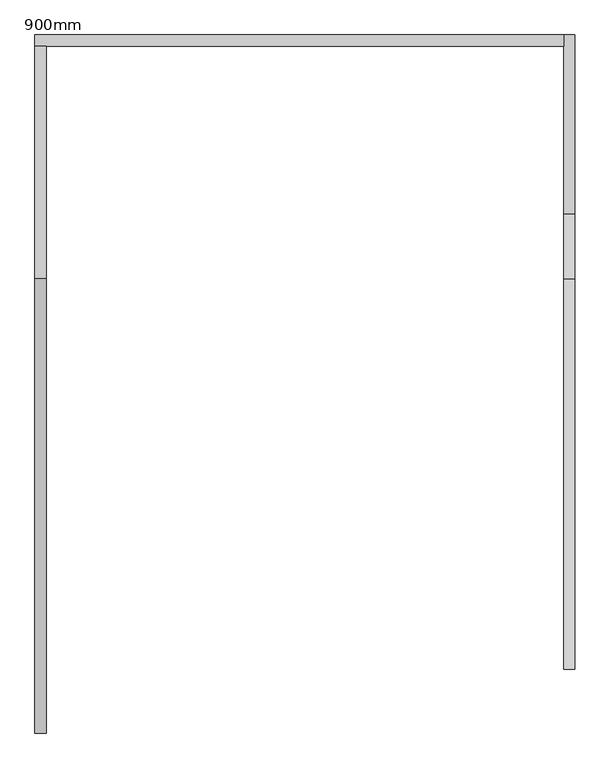
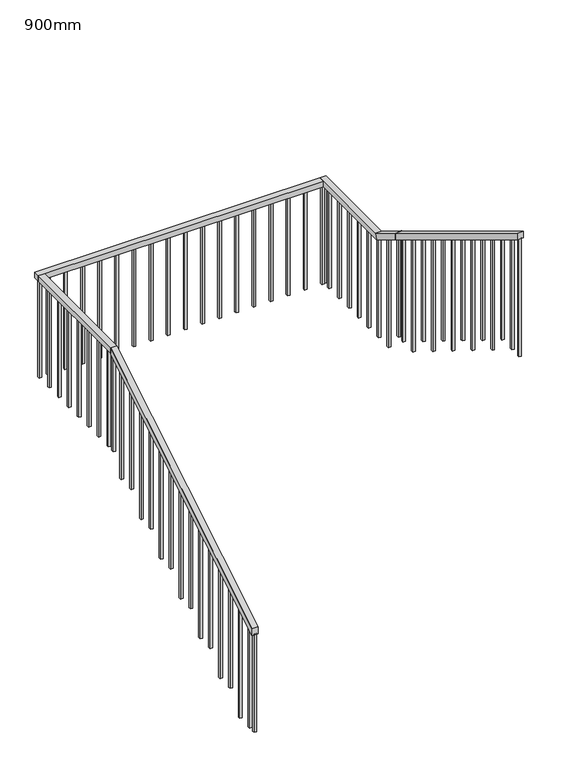
"""IFC4 building model written with IfcOpenShell, lengths in millimetres: railing geometry, 900mm."""

import ifcopenshell
import ifcopenshell.guid

model = None  # the IFC model being written
_history = None  # IfcOwnerHistory: only IFC2X3 demands one
_inside = {}  # id of a spatial element -> (the spatial element, [elements in it])
_under = {}  # id of a project, library or spatial element -> (it, [spatial elements below it])
_declared = {}  # id of a project -> (the project, [libraries it declares])
_typed = {}  # id of a type object -> (the type object, [elements of that type])
_made_of = {}  # id of a material, layer set ... -> (it, [elements and type objects made of it])


def new_model(schema):
    """Start an empty IFC model of exactly this schema.

    Asked for "IFC4X3", IfcOpenShell would pick the latest addendum, in which some entities
    have other attributes; the version numbers below select the first issue.
    IFC2X3 requires an IfcOwnerHistory on every rooted entity: one is made here for all.
    """
    global model, _history
    if schema == "IFC4X3":
        model = ifcopenshell.file(schema_version=(4, 3, 0, 0))
    else:
        model = ifcopenshell.file(schema=schema)
    _inside.clear()
    _under.clear()
    _declared.clear()
    _typed.clear()
    _made_of.clear()
    _history = None
    if model.schema == "IFC2X3":
        org = make("IfcOrganization", Name="unknown")
        user = make(
            "IfcPersonAndOrganization",
            ThePerson=make("IfcPerson", FamilyName="unknown"),
            TheOrganization=org,
        )
        app = make(
            "IfcApplication",
            ApplicationDeveloper=org,
            Version="unknown",
            ApplicationFullName="unknown",
            ApplicationIdentifier="unknown",
        )
        _history = make(
            "IfcOwnerHistory",
            OwningUser=user,
            OwningApplication=app,
            ChangeAction="ADDED",
            CreationDate=0,
        )
    return model


def make(cls, **values):
    """One entity of the class cls with the attributes given. An attribute that is None is left unset."""
    return model.create_entity(
        cls, **{name: value for name, value in values.items() if value is not None}
    )


def rooted(cls, **values):
    """An entity with a GlobalId (a new one), such as an element, a storey or a relation."""
    return make(cls, GlobalId=ifcopenshell.guid.new(), OwnerHistory=_history, **values)


def si_unit(unit_type, name, prefix=None):
    """IfcSIUnit, for example si_unit("LENGTHUNIT", "METRE", prefix="MILLI")."""
    return make("IfcSIUnit", UnitType=unit_type, Prefix=prefix, Name=name)


def assignment(units):
    """IfcUnitAssignment: the units of a project."""
    return None if units is None else make("IfcUnitAssignment", Units=units)


def point(xyz):
    """IfcCartesianPoint."""
    return None if xyz is None else make("IfcCartesianPoint", Coordinates=xyz)


def direction(xyz):
    """IfcDirection."""
    return None if xyz is None else make("IfcDirection", DirectionRatios=xyz)


def frame(location, z_axis=None, x_axis=None):
    """IfcAxis2Placement3D, a coordinate frame: its origin and axes. An axis left out is left unset."""
    return make(
        "IfcAxis2Placement3D",
        Location=point(location),
        Axis=direction(z_axis),
        RefDirection=direction(x_axis),
    )


def origin():
    """The frame at (0, 0, 0) with its axes left unset."""
    return frame((0.0, 0.0, 0.0))


def place(relative_to, where):
    """IfcLocalPlacement: puts the frame where relative to a parent placement (None: the world)."""
    return make(
        "IfcLocalPlacement", PlacementRelTo=relative_to, RelativePlacement=where
    )


def context(
    kind, dimensions, precision=None, world=None, true_north=None, identifier=None
):
    """IfcGeometricRepresentationContext, for example the 3D "Model" context."""
    return make(
        "IfcGeometricRepresentationContext",
        ContextIdentifier=identifier,
        ContextType=kind,
        CoordinateSpaceDimension=dimensions,
        Precision=precision,
        WorldCoordinateSystem=world,
        TrueNorth=true_north,
    )


def project(units=None, contexts=None):
    """IfcProject with its units and contexts."""
    return rooted(
        "IfcProject",
        Name="project",
        RepresentationContexts=contexts,
        UnitsInContext=assignment(units),
    )


def spatial(cls, under=None, at=None, **own):
    """A site, building, storey or space (cls), placed at a placement, below another one or the project."""
    s = rooted(cls, ObjectPlacement=at, **own)
    if under is not None:
        _under.setdefault(under.id(), (under, []))[1].append(s)
    return s


def polyline(points):
    """IfcPolyline through the points."""
    return make("IfcPolyline", Points=[point(p) for p in points])


def outline(outer, holes=None, kind="AREA"):
    """IfcArbitraryClosedProfileDef: a profile drawn as a closed curve; with holes, ...WithVoids."""
    if holes is None:
        return make("IfcArbitraryClosedProfileDef", ProfileType=kind, OuterCurve=outer)
    return make(
        "IfcArbitraryProfileDefWithVoids",
        ProfileType=kind,
        OuterCurve=outer,
        InnerCurves=holes,
    )


def extrude(swept, where, along, depth):
    """IfcExtrudedAreaSolid: the profile swept, set in the frame where, extruded along a direction by depth."""
    return make(
        "IfcExtrudedAreaSolid",
        SweptArea=swept,
        Position=where,
        ExtrudedDirection=direction(along),
        Depth=depth,
    )


def faces_of(points, faces, orient=None, outer=None):
    """IfcFace entities. A face is a list of loops; a loop is a list of indices into points, from 0.

    orient and outer hold one flag for each loop. By default every Orientation is true, the
    first loop of a face is its IfcFaceOuterBound and the others are IfcFaceBound.
    """
    made = []
    for i, loops in enumerate(faces):
        bounds = []
        for j, loop in enumerate(loops):
            is_outer = j == 0 if outer is None else outer[i][j]
            bounds.append(
                make(
                    "IfcFaceOuterBound" if is_outer else "IfcFaceBound",
                    Bound=make("IfcPolyLoop", Polygon=[points[k] for k in loop]),
                    Orientation=True if orient is None else orient[i][j],
                )
            )
        made.append(make("IfcFace", Bounds=bounds))
    return made


def faceted_brep(points, faces, orient=None, outer=None, voids=None):
    """IfcFacetedBrep: a solid bounded by flat faces; with voids (closed shells), ...WithVoids."""
    shared = [point(p) for p in points]
    hull = make("IfcClosedShell", CfsFaces=faces_of(shared, faces, orient, outer))
    if voids is None:
        return make("IfcFacetedBrep", Outer=hull)
    return make(
        "IfcFacetedBrepWithVoids",
        Outer=hull,
        Voids=[
            make(cls, CfsFaces=faces_of(shared, fs, o, b)) for cls, fs, o, b in voids
        ],
    )


def shape(context_of_items, identifier, shape_type, items):
    """IfcShapeRepresentation: the items that make up one representation, for example the "Body"."""
    return make(
        "IfcShapeRepresentation",
        ContextOfItems=context_of_items,
        RepresentationIdentifier=identifier,
        RepresentationType=shape_type,
        Items=items,
    )


def source(mapping_origin, context_of_items, identifier, shape_type, items):
    """IfcRepresentationMap: a shape defined once, which mapped items show again and again."""
    return make(
        "IfcRepresentationMap",
        MappingOrigin=mapping_origin,
        MappedRepresentation=shape(context_of_items, identifier, shape_type, items),
    )


def transform(
    local_origin,
    x_axis=None,
    y_axis=None,
    z_axis=None,
    scale=None,
    scale2=None,
    scale3=None,
    uniform=True,
):
    """IfcCartesianTransformationOperator3D, or its non-uniform kind. x_axis, y_axis, z_axis: its Axis1, 2, 3."""
    if uniform:
        return make(
            "IfcCartesianTransformationOperator3D",
            Axis1=direction(x_axis),
            Axis2=direction(y_axis),
            LocalOrigin=point(local_origin),
            Scale=scale,
            Axis3=direction(z_axis),
        )
    return make(
        "IfcCartesianTransformationOperator3DnonUniform",
        Axis1=direction(x_axis),
        Axis2=direction(y_axis),
        LocalOrigin=point(local_origin),
        Scale=scale,
        Axis3=direction(z_axis),
        Scale2=scale2,
        Scale3=scale3,
    )


def mapped(mapping_source, mapping_target):
    """IfcMappedItem: shows the shape of a source again, moved by a transform."""
    return make(
        "IfcMappedItem", MappingSource=mapping_source, MappingTarget=mapping_target
    )


def made_of(thing, what):
    """Note that an element or type object is made of a material, layer set ...; save() writes the relation."""
    if what is not None:
        _made_of.setdefault(what.id(), (what, []))[1].append(thing)
    return thing


def element(
    cls,
    number,
    at=None,
    inside=None,
    cuts=None,
    type_object=None,
    material=None,
    context=None,
    identifier="Body",
    shape_type=None,
    held_by="IfcProductDefinitionShape",
    body=None,
    shapes=None,
    **own,
):
    """One element of the class cls, such as IfcWall. Its Tag is "e" and its number.

    at: its placement. inside: the storey or other place that contains it. cuts: it is an
    opening in that element (IfcRelVoidsElement). A single representation is given by context,
    identifier, shape_type and body (its items); several are given by shapes. held_by: the class
    of the entity that holds the representations. save() writes the other relations.
    """
    e = rooted(cls, Tag="e%d" % number, ObjectPlacement=at, **own)
    if body is not None:
        shapes = [shape(context, identifier, shape_type, body)]
    if shapes is not None:
        e.Representation = make(held_by, Representations=shapes)
    if inside is not None:
        _inside.setdefault(inside.id(), (inside, []))[1].append(e)
    if cuts is not None:
        rooted(
            "IfcRelVoidsElement", RelatingBuildingElement=cuts, RelatedOpeningElement=e
        )
    if type_object is not None:
        _typed.setdefault(type_object.id(), (type_object, []))[1].append(e)
    return made_of(e, material)


def aggregate(whole, parts):
    """IfcRelAggregates: a whole, such as a stair, and the parts it consists of."""
    return rooted("IfcRelAggregates", RelatingObject=whole, RelatedObjects=parts)


def save(model, path):
    """Write the relations noted so far, then the file.

    IfcRelAggregates (storeys below a building ...), IfcRelContainedInSpatialStructure (elements
    in a storey), IfcRelDefinesByType, IfcRelAssociatesMaterial and IfcRelDeclares: one each for
    every whole, place, type object, material and project.
    """
    for whole, parts in _under.values():
        aggregate(whole, parts)
    for where, things in _inside.values():
        rooted(
            "IfcRelContainedInSpatialStructure",
            RelatedElements=things,
            RelatingStructure=where,
        )
    for kind, things in _typed.values():
        rooted("IfcRelDefinesByType", RelatedObjects=things, RelatingType=kind)
    for what, things in _made_of.values():
        rooted("IfcRelAssociatesMaterial", RelatedObjects=things, RelatingMaterial=what)
    for by, libraries in _declared.values():
        rooted("IfcRelDeclares", RelatingContext=by, RelatedDefinitions=libraries)
    model.write(path)


def railing_900mm_f3da900f(model_context):
    return source(origin(), model_context, "Body", "SolidModel", [
        faceted_brep([(-18160.940233, -160.9230875, 1073.6), (-18160.940233, -160.9230875, 1015.1018306), (-18110.940233, -160.9230875, 1015.1018306), (-18110.940233, -160.9230875, 1073.6), (-18160.940233, 1840.0620675, 2288.8), (-18110.940233, 1840.0620675, 2288.8), (-18110.940233, 1840.0620675, 2230.3018306), (-18160.940233, 1840.0620675, 2230.3018306)], [[[0, 1, 2, 3]], [[4, 5, 6, 7]], [[1, 0, 4, 7]], [[2, 1, 7, 6]], [[3, 2, 6, 5]], [[0, 3, 5, 4]]]),
        faceted_brep([(-18160.940233, 1840.0620675, 2288.8), (-18160.940233, 1840.0620675, 2238.8), (-18110.940233, 1840.0620675, 2238.8), (-18110.940233, 1840.0620675, 2288.8), (-18160.940233, 2863.8620675, 2288.8), (-18110.940233, 2863.8620675, 2288.8), (-18110.940233, 2863.8620675, 2238.8), (-18160.940233, 2863.8620675, 2238.8)], [[[0, 1, 2, 3]], [[4, 5, 6, 7]], [[1, 0, 4, 7]], [[2, 1, 7, 6]], [[3, 2, 6, 5]], [[0, 3, 5, 4]]]),
        faceted_brep([(-18160.940233, 2913.8620675, 2288.8), (-18160.940233, 2913.8620675, 2238.8), (-18160.940233, 2863.8620675, 2238.8), (-18160.940233, 2863.8620675, 2288.8), (-15832.540233, 2913.8620675, 2288.8), (-15832.540233, 2863.8620675, 2288.8), (-15832.540233, 2863.8620675, 2238.8), (-15832.540233, 2913.8620675, 2238.8)], [[[0, 1, 2, 3]], [[4, 5, 6, 7]], [[1, 0, 4, 7]], [[2, 1, 7, 6]], [[3, 2, 6, 5]], [[0, 3, 5, 4]]]),
        faceted_brep([(-15782.540233, 2913.8620675, 2288.8), (-15782.540233, 2913.8620675, 2238.8), (-15832.540233, 2913.8620675, 2238.8), (-15832.540233, 2913.8620675, 2288.8), (-15782.540233, 2125.9170896, 2288.8), (-15782.540233, 2111.9237462, 2238.8), (-15832.540233, 2111.9237462, 2238.8), (-15832.540233, 2125.9170896, 2288.8), (-15782.540233, 1840.0620675, 2462.4), (-15832.540233, 1840.0620675, 2462.4), (-15832.540233, 1840.0620675, 2403.9018306), (-15782.540233, 1840.0620675, 2403.9018306)], [[[0, 1, 2, 3]], [[1, 0, 4, 5]], [[2, 1, 5, 6]], [[3, 2, 6, 7]], [[0, 3, 7, 4]], [[8, 9, 10, 11]], [[5, 4, 8, 11]], [[6, 5, 11, 10]], [[7, 6, 10, 9]], [[4, 7, 9, 8]]]),
        faceted_brep([(-15782.540233, 1840.0620675, 2462.4), (-15782.540233, 1840.0620675, 2403.950901), (-15832.540233, 1840.0620675, 2403.950901), (-15832.540233, 1840.0620675, 2462.4), (-15782.540233, 119.56949, 3504.0), (-15832.540233, 119.56949, 3504.0), (-15832.540233, 119.56949, 3445.550901), (-15782.540233, 119.56949, 3445.550901)], [[[0, 1, 2, 3]], [[4, 5, 6, 7]], [[1, 0, 4, 7]], [[2, 1, 7, 6]], [[3, 2, 6, 5]], [[0, 3, 5, 4]]]),
        extrude(outline(polyline([(240.0620675, 2430.4), (220.0620675, 2430.4), (220.0620675, 3393.1609879), (240.0620675, 3381.0528276), (240.0620675, 2430.4)])), frame((-15817.540233, 0.0, 0.0), z_axis=(1.0, 0.0, 0.0), x_axis=(0.0, 1.0, 0.0)), (0.0, 0.0, 1.0), 20.0),
        extrude(outline(polyline([(380.0620675, 2430.4), (360.0620675, 2430.4), (360.0620675, 3308.4038655), (380.0620675, 3296.2957052), (380.0620675, 2430.4)])), frame((-15817.540233, 0.0, 0.0), z_axis=(1.0, 0.0, 0.0), x_axis=(0.0, 1.0, 0.0)), (0.0, 0.0, 1.0), 20.0),
        extrude(outline(polyline([(520.0620675, 2256.8), (500.0620675, 2256.8), (500.0620675, 3223.6467431), (520.0620675, 3211.5385827), (520.0620675, 2256.8)])), frame((-15817.540233, 0.0, 0.0), z_axis=(1.0, 0.0, 0.0), x_axis=(0.0, 1.0, 0.0)), (0.0, 0.0, 1.0), 20.0),
        extrude(outline(polyline([(660.0620675, 2256.8), (640.0620675, 2256.8), (640.0620675, 3138.8896207), (660.0620675, 3126.7814603), (660.0620675, 2256.8)])), frame((-15817.540233, 0.0, 0.0), z_axis=(1.0, 0.0, 0.0), x_axis=(0.0, 1.0, 0.0)), (0.0, 0.0, 1.0), 20.0),
        extrude(outline(polyline([(800.0620675, 2083.2), (780.0620675, 2083.2), (780.0620675, 3054.1324983), (800.0620675, 3042.0243379), (800.0620675, 2083.2)])), frame((-15817.540233, 0.0, 0.0), z_axis=(1.0, 0.0, 0.0), x_axis=(0.0, 1.0, 0.0)), (0.0, 0.0, 1.0), 20.0),
        extrude(outline(polyline([(940.0620675, 2083.2), (920.0620675, 2083.2), (920.0620675, 2969.3753759), (940.0620675, 2957.2672155), (940.0620675, 2083.2)])), frame((-15817.540233, 0.0, 0.0), z_axis=(1.0, 0.0, 0.0), x_axis=(0.0, 1.0, 0.0)), (0.0, 0.0, 1.0), 20.0),
        extrude(outline(polyline([(1080.0620675, 1909.6), (1060.0620675, 1909.6), (1060.0620675, 2884.6182534), (1080.0620675, 2872.5100931), (1080.0620675, 1909.6)])), frame((-15817.540233, 0.0, 0.0), z_axis=(1.0, 0.0, 0.0), x_axis=(0.0, 1.0, 0.0)), (0.0, 0.0, 1.0), 20.0),
        extrude(outline(polyline([(1220.0620675, 1909.6), (1200.0620675, 1909.6), (1200.0620675, 2799.861131), (1220.0620675, 2787.7529707), (1220.0620675, 1909.6)])), frame((-15817.540233, 0.0, 0.0), z_axis=(1.0, 0.0, 0.0), x_axis=(0.0, 1.0, 0.0)), (0.0, 0.0, 1.0), 20.0),
        extrude(outline(polyline([(1360.0620675, 1736.0), (1340.0620675, 1736.0), (1340.0620675, 2715.1040086), (1360.0620675, 2702.9958483), (1360.0620675, 1736.0)])), frame((-15817.540233, 0.0, 0.0), z_axis=(1.0, 0.0, 0.0), x_axis=(0.0, 1.0, 0.0)), (0.0, 0.0, 1.0), 20.0),
        extrude(outline(polyline([(1500.0620675, 1736.0), (1480.0620675, 1736.0), (1480.0620675, 2630.3468862), (1500.0620675, 2618.2387259), (1500.0620675, 1736.0)])), frame((-15817.540233, 0.0, 0.0), z_axis=(1.0, 0.0, 0.0), x_axis=(0.0, 1.0, 0.0)), (0.0, 0.0, 1.0), 20.0),
        extrude(outline(polyline([(1640.0620675, 1562.4), (1620.0620675, 1562.4), (1620.0620675, 2545.5897638), (1640.0620675, 2533.4816034), (1640.0620675, 1562.4)])), frame((-15817.540233, 0.0, 0.0), z_axis=(1.0, 0.0, 0.0), x_axis=(0.0, 1.0, 0.0)), (0.0, 0.0, 1.0), 20.0),
        extrude(outline(polyline([(1780.0620675, 1562.4), (1760.0620675, 1562.4), (1760.0620675, 2460.9840686), (1780.0620675, 2448.8380514), (1780.0620675, 1562.4)])), frame((-15817.540233, 0.0, 0.0), z_axis=(1.0, 0.0, 0.0), x_axis=(0.0, 1.0, 0.0)), (0.0, 0.0, 1.0), 20.0),
        extrude(outline(polyline([(1988.8620675, 1388.8), (1968.8620675, 1388.8), (1968.8620675, 2334.1796496), (1988.8620675, 2322.0336324), (1988.8620675, 1388.8)])), frame((-15817.540233, 0.0, 0.0), z_axis=(1.0, 0.0, 0.0), x_axis=(0.0, 1.0, 0.0)), (0.0, 0.0, 1.0), 20.0),
        extrude(outline(polyline([(2128.8620675, 1388.8), (2108.8620675, 1388.8), (2108.8620675, 2249.1575296), (2128.8620675, 2237.0115124), (2128.8620675, 1388.8)])), frame((-15817.540233, 0.0, 0.0), z_axis=(1.0, 0.0, 0.0), x_axis=(0.0, 1.0, 0.0)), (0.0, 0.0, 1.0), 20.0),
        extrude(outline(polyline([(-15797.540233, 2268.8620675), (-15797.540233, 2248.8620675), (-15817.540233, 2248.8620675), (-15817.540233, 2268.8620675), (-15797.540233, 2268.8620675)])), frame((0.0, 0.0, 1388.8), z_axis=(0.0, 0.0, 1.0), x_axis=(1.0, 0.0, 0.0)), (0.0, 0.0, 1.0), 850.0),
        extrude(outline(polyline([(-15797.540233, 2408.8620675), (-15797.540233, 2388.8620675), (-15817.540233, 2388.8620675), (-15817.540233, 2408.8620675), (-15797.540233, 2408.8620675)])), frame((0.0, 0.0, 1388.8), z_axis=(0.0, 0.0, 1.0), x_axis=(1.0, 0.0, 0.0)), (0.0, 0.0, 1.0), 850.0),
        extrude(outline(polyline([(-15797.540233, 2548.8620675), (-15797.540233, 2528.8620675), (-15817.540233, 2528.8620675), (-15817.540233, 2548.8620675), (-15797.540233, 2548.8620675)])), frame((0.0, 0.0, 1388.8), z_axis=(0.0, 0.0, 1.0), x_axis=(1.0, 0.0, 0.0)), (0.0, 0.0, 1.0), 850.0),
        extrude(outline(polyline([(-15797.540233, 2688.8620675), (-15797.540233, 2668.8620675), (-15817.540233, 2668.8620675), (-15817.540233, 2688.8620675), (-15797.540233, 2688.8620675)])), frame((0.0, 0.0, 1388.8), z_axis=(0.0, 0.0, 1.0), x_axis=(1.0, 0.0, 0.0)), (0.0, 0.0, 1.0), 850.0),
        extrude(outline(polyline([(-15797.540233, 2828.8620675), (-15797.540233, 2808.8620675), (-15817.540233, 2808.8620675), (-15817.540233, 2828.8620675), (-15797.540233, 2828.8620675)])), frame((0.0, 0.0, 1388.8), z_axis=(0.0, 0.0, 1.0), x_axis=(1.0, 0.0, 0.0)), (0.0, 0.0, 1.0), 850.0),
        extrude(outline(polyline([(-15835.940233, 2898.8620675), (-15815.940233, 2898.8620675), (-15815.940233, 2878.8620675), (-15835.940233, 2878.8620675), (-15835.940233, 2898.8620675)])), frame((0.0, 0.0, 1388.8), z_axis=(0.0, 0.0, 1.0), x_axis=(1.0, 0.0, 0.0)), (0.0, 0.0, 1.0), 850.0),
        extrude(outline(polyline([(-15975.940233, 2898.8620675), (-15955.940233, 2898.8620675), (-15955.940233, 2878.8620675), (-15975.940233, 2878.8620675), (-15975.940233, 2898.8620675)])), frame((0.0, 0.0, 1388.8), z_axis=(0.0, 0.0, 1.0), x_axis=(1.0, 0.0, 0.0)), (0.0, 0.0, 1.0), 850.0),
        extrude(outline(polyline([(-16115.940233, 2898.8620675), (-16095.940233, 2898.8620675), (-16095.940233, 2878.8620675), (-16115.940233, 2878.8620675), (-16115.940233, 2898.8620675)])), frame((0.0, 0.0, 1388.8), z_axis=(0.0, 0.0, 1.0), x_axis=(1.0, 0.0, 0.0)), (0.0, 0.0, 1.0), 850.0),
        extrude(outline(polyline([(-16255.940233, 2898.8620675), (-16235.940233, 2898.8620675), (-16235.940233, 2878.8620675), (-16255.940233, 2878.8620675), (-16255.940233, 2898.8620675)])), frame((0.0, 0.0, 1388.8), z_axis=(0.0, 0.0, 1.0), x_axis=(1.0, 0.0, 0.0)), (0.0, 0.0, 1.0), 850.0),
        extrude(outline(polyline([(-16395.940233, 2898.8620675), (-16375.940233, 2898.8620675), (-16375.940233, 2878.8620675), (-16395.940233, 2878.8620675), (-16395.940233, 2898.8620675)])), frame((0.0, 0.0, 1388.8), z_axis=(0.0, 0.0, 1.0), x_axis=(1.0, 0.0, 0.0)), (0.0, 0.0, 1.0), 850.0),
        extrude(outline(polyline([(-16535.940233, 2898.8620675), (-16515.940233, 2898.8620675), (-16515.940233, 2878.8620675), (-16535.940233, 2878.8620675), (-16535.940233, 2898.8620675)])), frame((0.0, 0.0, 1388.8), z_axis=(0.0, 0.0, 1.0), x_axis=(1.0, 0.0, 0.0)), (0.0, 0.0, 1.0), 850.0),
        extrude(outline(polyline([(-16675.940233, 2898.8620675), (-16655.940233, 2898.8620675), (-16655.940233, 2878.8620675), (-16675.940233, 2878.8620675), (-16675.940233, 2898.8620675)])), frame((0.0, 0.0, 1388.8), z_axis=(0.0, 0.0, 1.0), x_axis=(1.0, 0.0, 0.0)), (0.0, 0.0, 1.0), 850.0),
        extrude(outline(polyline([(-16815.940233, 2898.8620675), (-16795.940233, 2898.8620675), (-16795.940233, 2878.8620675), (-16815.940233, 2878.8620675), (-16815.940233, 2898.8620675)])), frame((0.0, 0.0, 1388.8), z_axis=(0.0, 0.0, 1.0), x_axis=(1.0, 0.0, 0.0)), (0.0, 0.0, 1.0), 850.0),
        extrude(outline(polyline([(-16955.940233, 2898.8620675), (-16935.940233, 2898.8620675), (-16935.940233, 2878.8620675), (-16955.940233, 2878.8620675), (-16955.940233, 2898.8620675)])), frame((0.0, 0.0, 1388.8), z_axis=(0.0, 0.0, 1.0), x_axis=(1.0, 0.0, 0.0)), (0.0, 0.0, 1.0), 850.0),
        extrude(outline(polyline([(-17095.940233, 2898.8620675), (-17075.940233, 2898.8620675), (-17075.940233, 2878.8620675), (-17095.940233, 2878.8620675), (-17095.940233, 2898.8620675)])), frame((0.0, 0.0, 1388.8), z_axis=(0.0, 0.0, 1.0), x_axis=(1.0, 0.0, 0.0)), (0.0, 0.0, 1.0), 850.0),
        extrude(outline(polyline([(-17235.940233, 2898.8620675), (-17215.940233, 2898.8620675), (-17215.940233, 2878.8620675), (-17235.940233, 2878.8620675), (-17235.940233, 2898.8620675)])), frame((0.0, 0.0, 1388.8), z_axis=(0.0, 0.0, 1.0), x_axis=(1.0, 0.0, 0.0)), (0.0, 0.0, 1.0), 850.0),
        extrude(outline(polyline([(-17375.940233, 2898.8620675), (-17355.940233, 2898.8620675), (-17355.940233, 2878.8620675), (-17375.940233, 2878.8620675), (-17375.940233, 2898.8620675)])), frame((0.0, 0.0, 1388.8), z_axis=(0.0, 0.0, 1.0), x_axis=(1.0, 0.0, 0.0)), (0.0, 0.0, 1.0), 850.0),
        extrude(outline(polyline([(-17515.940233, 2898.8620675), (-17495.940233, 2898.8620675), (-17495.940233, 2878.8620675), (-17515.940233, 2878.8620675), (-17515.940233, 2898.8620675)])), frame((0.0, 0.0, 1388.8), z_axis=(0.0, 0.0, 1.0), x_axis=(1.0, 0.0, 0.0)), (0.0, 0.0, 1.0), 850.0),
        extrude(outline(polyline([(-17655.940233, 2898.8620675), (-17635.940233, 2898.8620675), (-17635.940233, 2878.8620675), (-17655.940233, 2878.8620675), (-17655.940233, 2898.8620675)])), frame((0.0, 0.0, 1388.8), z_axis=(0.0, 0.0, 1.0), x_axis=(1.0, 0.0, 0.0)), (0.0, 0.0, 1.0), 850.0),
        extrude(outline(polyline([(-17795.940233, 2898.8620675), (-17775.940233, 2898.8620675), (-17775.940233, 2878.8620675), (-17795.940233, 2878.8620675), (-17795.940233, 2898.8620675)])), frame((0.0, 0.0, 1388.8), z_axis=(0.0, 0.0, 1.0), x_axis=(1.0, 0.0, 0.0)), (0.0, 0.0, 1.0), 850.0),
        extrude(outline(polyline([(-17935.940233, 2898.8620675), (-17915.940233, 2898.8620675), (-17915.940233, 2878.8620675), (-17935.940233, 2878.8620675), (-17935.940233, 2898.8620675)])), frame((0.0, 0.0, 1388.8), z_axis=(0.0, 0.0, 1.0), x_axis=(1.0, 0.0, 0.0)), (0.0, 0.0, 1.0), 850.0),
        extrude(outline(polyline([(-18075.940233, 2898.8620675), (-18055.940233, 2898.8620675), (-18055.940233, 2878.8620675), (-18075.940233, 2878.8620675), (-18075.940233, 2898.8620675)])), frame((0.0, 0.0, 1388.8), z_axis=(0.0, 0.0, 1.0), x_axis=(1.0, 0.0, 0.0)), (0.0, 0.0, 1.0), 850.0),
        extrude(outline(polyline([(-18145.940233, 2740.0620675), (-18145.940233, 2760.0620675), (-18125.940233, 2760.0620675), (-18125.940233, 2740.0620675), (-18145.940233, 2740.0620675)])), frame((0.0, 0.0, 1388.8), z_axis=(0.0, 0.0, 1.0), x_axis=(1.0, 0.0, 0.0)), (0.0, 0.0, 1.0), 850.0),
        extrude(outline(polyline([(-18145.940233, 2600.0620675), (-18145.940233, 2620.0620675), (-18125.940233, 2620.0620675), (-18125.940233, 2600.0620675), (-18145.940233, 2600.0620675)])), frame((0.0, 0.0, 1388.8), z_axis=(0.0, 0.0, 1.0), x_axis=(1.0, 0.0, 0.0)), (0.0, 0.0, 1.0), 850.0),
        extrude(outline(polyline([(-18145.940233, 2460.0620675), (-18145.940233, 2480.0620675), (-18125.940233, 2480.0620675), (-18125.940233, 2460.0620675), (-18145.940233, 2460.0620675)])), frame((0.0, 0.0, 1388.8), z_axis=(0.0, 0.0, 1.0), x_axis=(1.0, 0.0, 0.0)), (0.0, 0.0, 1.0), 850.0),
        extrude(outline(polyline([(-18145.940233, 2320.0620675), (-18145.940233, 2340.0620675), (-18125.940233, 2340.0620675), (-18125.940233, 2320.0620675), (-18145.940233, 2320.0620675)])), frame((0.0, 0.0, 1388.8), z_axis=(0.0, 0.0, 1.0), x_axis=(1.0, 0.0, 0.0)), (0.0, 0.0, 1.0), 850.0),
        extrude(outline(polyline([(-18145.940233, 2180.0620675), (-18145.940233, 2200.0620675), (-18125.940233, 2200.0620675), (-18125.940233, 2180.0620675), (-18145.940233, 2180.0620675)])), frame((0.0, 0.0, 1388.8), z_axis=(0.0, 0.0, 1.0), x_axis=(1.0, 0.0, 0.0)), (0.0, 0.0, 1.0), 850.0),
        extrude(outline(polyline([(-18145.940233, 2040.0620675), (-18145.940233, 2060.0620675), (-18125.940233, 2060.0620675), (-18125.940233, 2040.0620675), (-18145.940233, 2040.0620675)])), frame((0.0, 0.0, 1388.8), z_axis=(0.0, 0.0, 1.0), x_axis=(1.0, 0.0, 0.0)), (0.0, 0.0, 1.0), 850.0),
        extrude(outline(polyline([(-18145.940233, 1900.0620675), (-18145.940233, 1920.0620675), (-18125.940233, 1920.0620675), (-18125.940233, 1900.0620675), (-18145.940233, 1900.0620675)])), frame((0.0, 0.0, 1388.8), z_axis=(0.0, 0.0, 1.0), x_axis=(1.0, 0.0, 0.0)), (0.0, 0.0, 1.0), 850.0),
        extrude(outline(polyline([(1719.0769125, 2165.3256117), (1739.0769125, 2177.4716288), (1739.0769125, 1215.2), (1719.0769125, 1215.2), (1719.0769125, 2165.3256117)])), frame((-18145.940233, 0.0, 0.0), z_axis=(1.0, 0.0, 0.0), x_axis=(0.0, 1.0, 0.0)), (0.0, 0.0, 1.0), 20.0),
        extrude(outline(polyline([(1579.0769125, 2080.3034916), (1599.0769125, 2092.4495088), (1599.0769125, 1215.2), (1579.0769125, 1215.2), (1579.0769125, 2080.3034916)])), frame((-18145.940233, 0.0, 0.0), z_axis=(1.0, 0.0, 0.0), x_axis=(0.0, 1.0, 0.0)), (0.0, 0.0, 1.0), 20.0),
        extrude(outline(polyline([(1439.0769125, 1995.2813716), (1459.0769125, 2007.4273888), (1459.0769125, 1041.6), (1439.0769125, 1041.6), (1439.0769125, 1995.2813716)])), frame((-18145.940233, 0.0, 0.0), z_axis=(1.0, 0.0, 0.0), x_axis=(0.0, 1.0, 0.0)), (0.0, 0.0, 1.0), 20.0),
        extrude(outline(polyline([(1299.0769125, 1910.2592516), (1319.0769125, 1922.4052688), (1319.0769125, 1041.6), (1299.0769125, 1041.6), (1299.0769125, 1910.2592516)])), frame((-18145.940233, 0.0, 0.0), z_axis=(1.0, 0.0, 0.0), x_axis=(0.0, 1.0, 0.0)), (0.0, 0.0, 1.0), 20.0),
        extrude(outline(polyline([(1159.0769125, 1825.2371316), (1179.0769125, 1837.3831487), (1179.0769125, 868.0), (1159.0769125, 868.0), (1159.0769125, 1825.2371316)])), frame((-18145.940233, 0.0, 0.0), z_axis=(1.0, 0.0, 0.0), x_axis=(0.0, 1.0, 0.0)), (0.0, 0.0, 1.0), 20.0),
        extrude(outline(polyline([(1019.0769125, 1740.2150116), (1039.0769125, 1752.3610287), (1039.0769125, 868.0), (1019.0769125, 868.0), (1019.0769125, 1740.2150116)])), frame((-18145.940233, 0.0, 0.0), z_axis=(1.0, 0.0, 0.0), x_axis=(0.0, 1.0, 0.0)), (0.0, 0.0, 1.0), 20.0),
        extrude(outline(polyline([(879.0769125, 1655.1928916), (899.0769125, 1667.3389087), (899.0769125, 694.4), (879.0769125, 694.4), (879.0769125, 1655.1928916)])), frame((-18145.940233, 0.0, 0.0), z_axis=(1.0, 0.0, 0.0), x_axis=(0.0, 1.0, 0.0)), (0.0, 0.0, 1.0), 20.0),
        extrude(outline(polyline([(739.0769125, 1570.1707715), (759.0769125, 1582.3167887), (759.0769125, 694.4), (739.0769125, 694.4), (739.0769125, 1570.1707715)])), frame((-18145.940233, 0.0, 0.0), z_axis=(1.0, 0.0, 0.0), x_axis=(0.0, 1.0, 0.0)), (0.0, 0.0, 1.0), 20.0),
        extrude(outline(polyline([(599.0769125, 1485.1486515), (619.0769125, 1497.2946687), (619.0769125, 520.8), (599.0769125, 520.8), (599.0769125, 1485.1486515)])), frame((-18145.940233, 0.0, 0.0), z_axis=(1.0, 0.0, 0.0), x_axis=(0.0, 1.0, 0.0)), (0.0, 0.0, 1.0), 20.0),
        extrude(outline(polyline([(459.0769125, 1400.1265315), (479.0769125, 1412.2725486), (479.0769125, 520.8), (459.0769125, 520.8), (459.0769125, 1400.1265315)])), frame((-18145.940233, 0.0, 0.0), z_axis=(1.0, 0.0, 0.0), x_axis=(0.0, 1.0, 0.0)), (0.0, 0.0, 1.0), 20.0),
        extrude(outline(polyline([(319.0769125, 1315.1044115), (339.0769125, 1327.2504286), (339.0769125, 347.2), (319.0769125, 347.2), (319.0769125, 1315.1044115)])), frame((-18145.940233, 0.0, 0.0), z_axis=(1.0, 0.0, 0.0), x_axis=(0.0, 1.0, 0.0)), (0.0, 0.0, 1.0), 20.0),
        extrude(outline(polyline([(179.0769125, 1230.0822915), (199.0769125, 1242.2283086), (199.0769125, 347.2), (179.0769125, 347.2), (179.0769125, 1230.0822915)])), frame((-18145.940233, 0.0, 0.0), z_axis=(1.0, 0.0, 0.0), x_axis=(0.0, 1.0, 0.0)), (0.0, 0.0, 1.0), 20.0),
        extrude(outline(polyline([(39.0769125, 1145.0601715), (59.0769125, 1157.2061886), (59.0769125, 173.6), (39.0769125, 173.6), (39.0769125, 1145.0601715)])), frame((-18145.940233, 0.0, 0.0), z_axis=(1.0, 0.0, 0.0), x_axis=(0.0, 1.0, 0.0)), (0.0, 0.0, 1.0), 20.0),
        extrude(outline(polyline([(-100.9230875, 1060.0380514), (-80.9230875, 1072.1840686), (-80.9230875, 173.6), (-100.9230875, 173.6), (-100.9230875, 1060.0380514)])), frame((-18145.940233, 0.0, 0.0), z_axis=(1.0, 0.0, 0.0), x_axis=(0.0, 1.0, 0.0)), (0.0, 0.0, 1.0), 20.0),
        extrude(outline(polyline([(1850.0620675, 1562.4), (1830.0620675, 1562.4), (1830.0620675, 2418.4730086), (1850.0620675, 2406.3269914), (1850.0620675, 1562.4)])), frame((-15817.540233, 0.0, 0.0), z_axis=(1.0, 0.0, 0.0), x_axis=(0.0, 1.0, 0.0)), (0.0, 0.0, 1.0), 20.0),
        extrude(outline(polyline([(-15817.540233, 2898.8620675), (-15797.540233, 2898.8620675), (-15797.540233, 2878.8620675), (-15817.540233, 2878.8620675), (-15817.540233, 2898.8620675)])), frame((0.0, 0.0, 1388.8), z_axis=(0.0, 0.0, 1.0), x_axis=(1.0, 0.0, 0.0)), (0.0, 0.0, 1.0), 850.0),
        extrude(outline(polyline([(-18145.940233, 2878.8620675), (-18145.940233, 2898.8620675), (-18125.940233, 2898.8620675), (-18125.940233, 2878.8620675), (-18145.940233, 2878.8620675)])), frame((0.0, 0.0, 1388.8), z_axis=(0.0, 0.0, 1.0), x_axis=(1.0, 0.0, 0.0)), (0.0, 0.0, 1.0), 850.0),
        extrude(outline(polyline([(1830.0620675, 2232.7269914), (1850.0620675, 2244.8730086), (1850.0620675, 1388.8), (1830.0620675, 1388.8), (1830.0620675, 2232.7269914)])), frame((-18145.940233, 0.0, 0.0), z_axis=(1.0, 0.0, 0.0), x_axis=(0.0, 1.0, 0.0)), (0.0, 0.0, 1.0), 20.0),
        extrude(outline(polyline([(139.56949, 2430.4), (119.56949, 2430.4), (119.56949, 3454.0), (139.56949, 3441.8918397), (139.56949, 2430.4)])), frame((-15817.540233, 0.0, 0.0), z_axis=(1.0, 0.0, 0.0), x_axis=(0.0, 1.0, 0.0)), (0.0, 0.0, 1.0), 20.0),
        extrude(outline(polyline([(-160.9230875, 1023.6), (-140.9230875, 1035.7460171), (-140.9230875, 173.6), (-160.9230875, 173.6), (-160.9230875, 1023.6)])), frame((-18145.940233, 0.0, 0.0), z_axis=(1.0, 0.0, 0.0), x_axis=(0.0, 1.0, 0.0)), (0.0, 0.0, 1.0), 20.0),
    ])


if __name__ == "__main__":
    model = new_model("IFC4")
    model_context = context("Model", 3, world=origin())
    ifc_project = project(units=[si_unit("LENGTHUNIT", "METRE", prefix="MILLI")], contexts=[model_context])
    site = spatial("IfcSite", under=ifc_project)
    building = spatial("IfcBuilding", under=site)
    placement = place(None, origin())
    railing_900mm_shape = railing_900mm_f3da900f(model_context)
    element("IfcRailing", 1, ObjectType="900mm", at=placement, inside=building, context=model_context, shape_type="MappedRepresentation", body=[
        mapped(railing_900mm_shape, transform((0.0, 0.0, 0.0), x_axis=(1.0, 0.0, 0.0), y_axis=(0.0, 1.0, 0.0), z_axis=(0.0, 0.0, 1.0))),
    ])
    save(model, "model.ifc")
